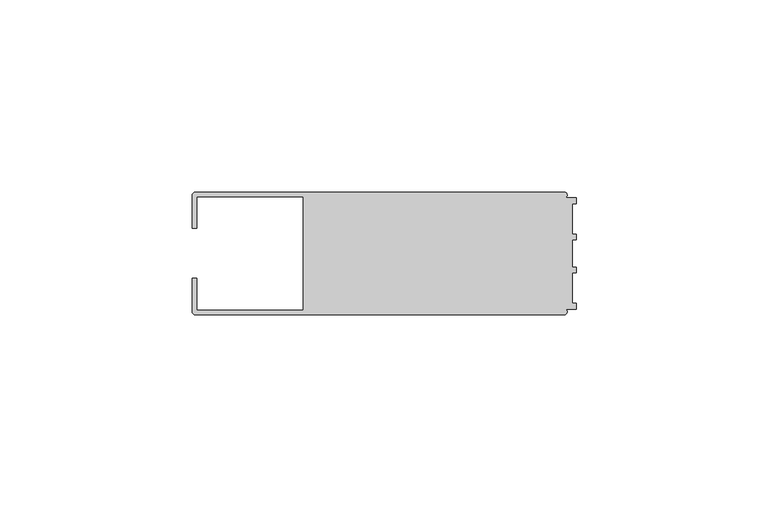
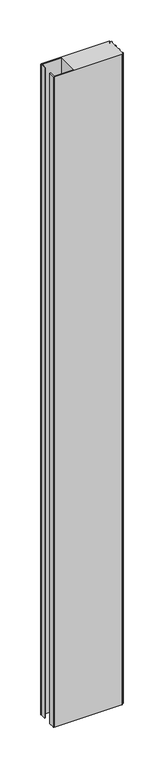
"""IFC4 building model written with IfcOpenShell, lengths in millimetres: member geometry."""

from ifc_helpers import new_model, si_unit, point, frame, frame_2d, origin, place, context, project, spatial, polyline, circle_curve, trimmed, segment, composite_curve, outline, extrude, source, transform, mapped, element, save


def member_f25fe9c4(model_context):
    return source(origin(), model_context, "Body", "SweptSolid", [
        extrude(outline(composite_curve([segment(polyline([(-100.0, 6.5), (-100.0, 14.998921)]), True, "CONTINUOUS"), segment(trimmed(circle_curve(frame_2d((-98.998921, 14.998921)), 1.001079), [point((-100.0, 14.998921))], [point((-98.998921, 16.0))], False, "CARTESIAN"), True, "CONTINUOUS"), segment(polyline([(-98.998921, 16.0), (-3.1385263, 16.0)]), True, "CONTINUOUS"), segment(trimmed(circle_curve(frame_2d((-3.1117577, 15.2001372)), 0.8003107), [point((-3.1385263, 16.0))], [point((-2.7260256, 14.4989182))], False, "CARTESIAN"), True, "CONTINUOUS"), segment(polyline([(-2.7260256, 14.4989182), (0.0, 14.4989182), (0.0, 12.9993664), (-0.999267, 12.9993664), (-0.999267, 5.0000405), (0.0, 5.0000405), (0.0, 3.5386284), (-0.999267, 3.5009282), (-0.999267, -3.5009282), (0.0, -3.5398992), (0.0, -5.0013113), (-0.999267, -5.0013113), (-0.999267, -13.0002136), (0.0, -13.0002136), (0.0, -14.5004469), (-2.7237818, -14.5004469)]), True, "CONTINUOUS"), segment(trimmed(circle_curve(frame_2d((-3.1117213, -15.2000428)), 0.7999572), [point((-2.7237818, -14.5004469))], [point((-3.1117213, -16.0))], False, "CARTESIAN"), True, "CONTINUOUS"), segment(polyline([(-3.1117213, -16.0), (-98.9988146, -16.0)]), True, "CONTINUOUS"), segment(trimmed(circle_curve(frame_2d((-98.9988146, -14.9988146)), 1.0011854), [point((-98.9988146, -16.0))], [point((-100.0, -14.9988146))], False, "CARTESIAN"), True, "CONTINUOUS"), segment(polyline([(-100.0, -14.9988146), (-100.0, -6.5002542), (-98.7495396, -6.5002542), (-98.7495396, -14.7490791), (-71.0, -14.7490791), (-71.0, 14.748825), (-98.7495396, 14.748825), (-98.7495396, 6.5), (-100.0, 6.5)]), True, "CONTINUOUS")], self_intersect=False)), frame((0.0, 0.0, -976.4285713), z_axis=(0.0, 0.0, 1.0), x_axis=(1.0, 0.0, 0.0)), (0.0, 0.0, 1.0), 976.4285713),
    ])


if __name__ == "__main__":
    model = new_model("IFC4")
    model_context = context("Model", 3, world=origin())
    ifc_project = project(units=[si_unit("LENGTHUNIT", "METRE", prefix="MILLI")], contexts=[model_context])
    site = spatial("IfcSite", under=ifc_project)
    building = spatial("IfcBuilding", under=site)
    placement = place(None, origin())
    member_shape = member_f25fe9c4(model_context)
    element("IfcMember", 1, at=placement, inside=building, context=model_context, shape_type="MappedRepresentation", body=[
        mapped(member_shape, transform((0.0, 0.0, 0.0), x_axis=(1.0, 0.0, 0.0), y_axis=(0.0, 1.0, 0.0), z_axis=(0.0, 0.0, 1.0))),
    ])
    save(model, "model.ifc")
